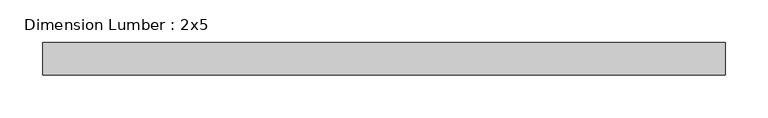
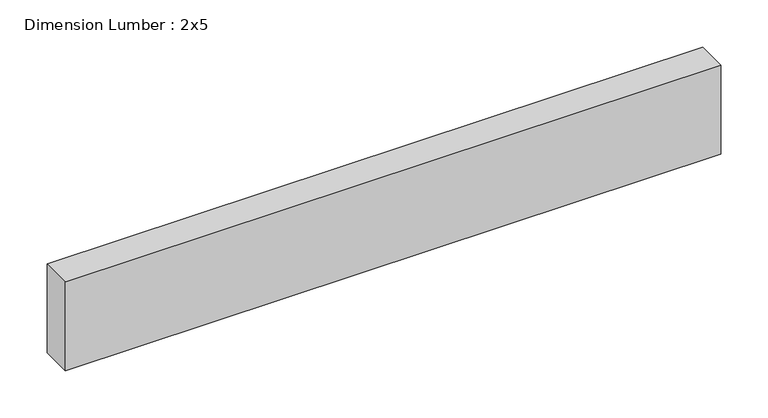
"""IFC4 building model written with IfcOpenShell, lengths in millimetres: beam geometry, Dimension Lumber : 2x5."""

from ifc_helpers import new_model, si_unit, frame, origin, place, context, project, spatial, polyline, outline, extrude, source, transform, mapped, element, save


def dimension_lumber_2x5_afac1c2b(model_context):
    return source(origin(), model_context, "Body", "SweptSolid", [
        extrude(outline(polyline([(398.8999209, 19.05), (398.8999209, -19.05), (-398.8999209, -19.05), (-398.8999209, 19.05), (398.8999209, 19.05)])), frame((0.0, 0.0, -57.15), z_axis=(0.0, 0.0, 1.0), x_axis=(1.0, 0.0, 0.0)), (0.0, 0.0, 1.0), 114.3),
    ])


if __name__ == "__main__":
    model = new_model("IFC4")
    model_context = context("Model", 3, world=origin())
    ifc_project = project(units=[si_unit("LENGTHUNIT", "METRE", prefix="MILLI")], contexts=[model_context])
    site = spatial("IfcSite", under=ifc_project)
    building = spatial("IfcBuilding", under=site)
    placement = place(None, origin())
    dimension_lumber_2x5_shape = dimension_lumber_2x5_afac1c2b(model_context)
    element("IfcBeam", 1, ObjectType="Dimension Lumber : 2x5", at=placement, inside=building, context=model_context, shape_type="MappedRepresentation", body=[
        mapped(dimension_lumber_2x5_shape, transform((0.0, 0.0, 0.0), x_axis=(1.0, 0.0, 0.0), y_axis=(0.0, 1.0, 0.0), z_axis=(0.0, 0.0, 1.0))),
    ])
    save(model, "model.ifc")
